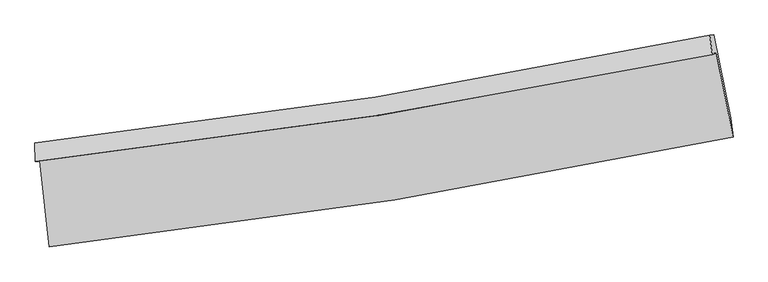
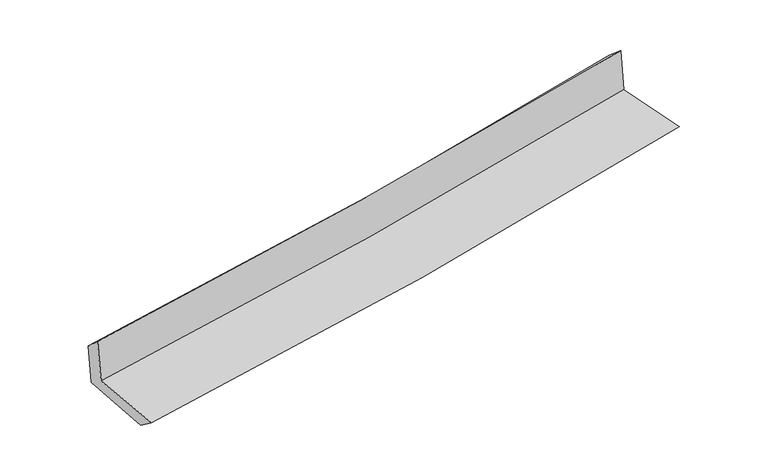
"""IFC4 building model written with IfcOpenShell, lengths in millimetres: proxy geometry."""

from ifc_helpers import new_model, si_unit, frame, origin, place, context, project, spatial, source, transform, mapped, element, save
from ifc_brep_helpers import plane_surface, spline_curve, spline_surface, advanced_brep


def generic_models_8fde79eb(model_context):
    return source(origin(), model_context, "Body", "AdvancedBrep", [
        advanced_brep(
        [(-2634.7265748, -1899.25547, 1665.0070044), (-2562.5664624, -2560.2557695, 1639.8292048), (2698.1255489, -1715.6296945, 2121.2174308), (2570.0768097, -1068.2368902, 2127.7787065), (-2668.2813288, -1901.7256097, 2055.0286727), (2537.5200769, -1081.5741081, 2519.558402), (-2672.2562558, -1759.1718634, 1926.8148361), (2519.3411838, -930.4916152, 2390.7591811), (-2641.3167292, -1756.2001571, 1566.3436222), (2550.6683109, -927.43841, 2035.2185103), (-2568.899154, -2405.0063762, 1523.3073249), (2679.8261997, -1568.3302375, 2002.0534677)],
        [
            (0, 1),
            (1, 2, spline_curve(3, [(-2562.5664624, -2560.2557695, 1639.8292048), (-1673.577307436, -2461.03383665, 1721.05030505), (-788.01992474, -2340.474770461, 1802.021419838), (965.460788483, -2058.414885685, 1962.478094335), (1833.467409816, -1897.431926504, 2041.969722017), (2698.1255489, -1715.6296945, 2121.2174308)], [4, 2, 4], [0.0, 8.7843751347231, 17.46149550318757])),
            (2, 3),
            (3, 0, spline_curve(3, [(2570.0768097, -1068.2368902, 2127.7787065), (1714.39876884, -1249.023974322, 2056.009181274), (855.510122992, -1408.376171303, 1981.811989766), (-879.344477586, -1685.915537397, 1827.615141504), (-1755.390293256, -1803.569533634, 1747.555099004), (-2634.7265748, -1899.25547, 1665.0070044)], [4, 2, 4], [0.0, 8.677120368464472, 17.46149550318757])),
            (4, 0),
            (3, 5),
            (5, 4, spline_curve(3, [(2537.5200769, -1081.5741081, 2519.558402), (1680.711561728, -1257.272807263, 2450.961806703), (821.172056824, -1413.170685216, 2378.216116791), (-914.0271477, -1687.047046193, 2223.476078612), (-1789.754777937, -1804.533002093, 2141.378525585), (-2668.2813288, -1901.7256097, 2055.0286727)], [4, 2, 4], [0.0, 8.628687391539131, 17.364030886716257])),
            (6, 4),
            (5, 7),
            (7, 6, spline_curve(3, [(2519.3411838, -930.4916152, 2390.7591811), (1666.496453167, -1110.614178079, 2310.961323631), (810.120181286, -1269.439599193, 2232.62878606), (-920.324454496, -1546.196095238, 2077.944222891), (-1794.480662819, -1663.597423601, 2001.628645344), (-2672.2562558, -1759.1718634, 1926.8148361)], [4, 2, 4], [0.0, 8.617813187405718, 17.342148066320398])),
            (8, 6),
            (7, 9),
            (9, 8, spline_curve(3, [(2550.6683109, -927.43841, 2035.2185103), (1697.912225917, -1107.565683493, 1952.877648574), (841.548645214, -1266.400182476, 1872.85995246), (-889.023302016, -1543.183736153, 1716.510536367), (-1763.321400917, -1660.6031527, 1640.236603316), (-2641.3167292, -1756.2001571, 1566.3436222)], [4, 2, 4], [0.0, 8.608389807998801, 17.323184828500544])),
            (10, 8),
            (9, 11),
            (11, 10, spline_curve(3, [(2679.8261997, -1568.3302375, 2002.0534677), (1817.346541703, -1746.864005538, 1916.649677805), (951.420860473, -1905.54831333, 1834.278580238), (-798.068541063, -2184.934096525, 1674.621097457), (-1681.717977261, -2305.141834845, 1597.410147189), (-2568.899154, -2405.0063762, 1523.3073249)], [4, 2, 4], [0.0, 8.656091368355208, 17.419177571056657])),
            (1, 10),
            (11, 2),
        ],
        [
            spline_surface(3, 3, [[(-2634.7265748, -1899.25547, 1665.0070044), (-1755.390293257, -1803.569533626, 1747.555099146), (-879.344477644, -1685.915537391, 1827.615141595), (855.510123048, -1408.376171308, 1981.811989676), (1714.398768943, -1249.02397429, 2056.009181297), (2570.0768097, -1068.2368902, 2127.7787065)], [(-2610.673203987, -2119.588903171, 1656.614404538), (-1728.119297975, -2022.724301264, 1738.720167829), (-848.902960047, -1904.101948465, 1819.083900949), (892.16034488, -1625.055742742, 1975.36735792), (1754.088315881, -1465.159958371, 2051.329361533), (2612.759722776, -1284.034491623, 2125.591614624)], [(-2586.619833213, -2339.922336329, 1648.221804662), (-1700.848302733, -2241.879068891, 1729.885236498), (-818.461442424, -2122.288359502, 1810.552660356), (928.810566738, -1841.735314137, 1968.922726218), (1793.777862789, -1681.295942485, 2046.649541696), (2655.442635824, -1499.832093077, 2123.404522676)], [(-2562.5664624, -2560.2557695, 1639.8292048), (-1673.577307451, -2461.033836529, 1721.050305181), (-788.019924827, -2340.474770576, 1802.021419709), (965.460788569, -2058.414885571, 1962.478094462), (1833.467409727, -1897.431926566, 2041.969721932), (2698.1255489, -1715.6296945, 2121.2174308)]], [4, 4], [4, 2, 4], [0.0, 2.1666998509139765], [0.0, 8.7843751347231, 17.46149550318757]),
            spline_surface(3, 3, [[(-2668.2813288, -1901.7256097, 2055.0286727), (-1789.754778074, -1804.533001951, 2141.378525458), (-914.027147642, -1687.047046111, 2223.476078585), (821.172056767, -1413.170685297, 2378.216116818), (1680.711561587, -1257.272807278, 2450.961806806), (2537.5200769, -1081.5741081, 2519.558402)], [(-2657.096410821, -1900.902229811, 1925.021449932), (-1778.299949823, -1804.211845853, 2010.104050019), (-902.466257621, -1686.669876513, 2091.522432926), (832.618078882, -1411.572513942, 2246.081407775), (1691.940630689, -1254.523196291, 2319.310931624), (2548.37232115, -1077.128368808, 2388.965170154)], [(-2645.911492779, -1900.078849889, 1795.014227168), (-1766.845121508, -1803.890689723, 1878.829574585), (-890.905367664, -1686.292706989, 1959.568787254), (844.064100933, -1409.974342662, 2113.946698719), (1703.169699841, -1251.773585278, 2187.660056479), (2559.22456545, -1072.682629492, 2258.371938346)], [(-2634.7265748, -1899.25547, 1665.0070044), (-1755.390293257, -1803.569533626, 1747.555099146), (-879.344477644, -1685.915537391, 1827.615141595), (855.510123048, -1408.376171308, 1981.811989676), (1714.398768943, -1249.02397429, 2056.009181297), (2570.0768097, -1068.2368902, 2127.7787065)]], [4, 4], [4, 2, 4], [0.0, 1.3045946991408863], [0.0, 8.735343495177126, 17.364030886716257]),
            spline_surface(3, 3, [[(-2672.2562558, -1759.1718634, 1926.8148361), (-1794.480662943, -1663.597423477, 2001.628645285), (-920.324454634, -1546.196095171, 2077.944222753), (810.120181423, -1269.439599259, 2232.628786195), (1666.496453038, -1110.614178136, 2310.961323768), (2519.3411838, -930.4916152, 2390.7591811)], [(-2670.93128014, -1806.689778824, 1969.55278163), (-1792.905367993, -1710.575949626, 2048.211938672), (-918.225352321, -1593.146412176, 2126.454841364), (813.804139853, -1317.349961296, 2281.157896403), (1671.234822568, -1159.500387823, 2357.628151457), (2525.400814847, -980.852446139, 2433.692254743)], [(-2669.60630446, -1854.207694276, 2012.29072717), (-1791.330073024, -1757.554475802, 2094.795232071), (-916.126249955, -1640.096729106, 2174.965459974), (817.488098337, -1365.260323259, 2329.68700661), (1675.973192057, -1208.386597592, 2404.294979117), (2531.460445853, -1031.213277161, 2476.625328357)], [(-2668.2813288, -1901.7256097, 2055.0286727), (-1789.754778074, -1804.533001951, 2141.378525458), (-914.027147642, -1687.047046111, 2223.476078585), (821.172056767, -1413.170685297, 2378.216116818), (1680.711561587, -1257.272807278, 2450.961806806), (2537.5200769, -1081.5741081, 2519.558402)]], [4, 4], [4, 2, 4], [0.0, 0.6683885112917053], [0.0, 8.72433487891468, 17.342148066320398]),
            spline_surface(3, 3, [[(-2641.3167292, -1756.2001571, 1566.3436222), (-1763.321401024, -1660.603152653, 1640.236603384), (-889.023301871, -1543.183736119, 1716.510536441), (841.548645071, -1266.400182509, 1872.859952387), (1697.912225947, -1107.565683393, 1952.877648678), (2550.6683109, -927.43841, 2035.2185103)], [(-2651.629904724, -1757.190725858, 1686.500693528), (-1773.707821654, -1661.601242919, 1760.700617379), (-899.45701946, -1544.187855797, 1836.988431883), (831.07249052, -1267.413321419, 1992.782896995), (1687.440301623, -1108.581848338, 2072.238873706), (2540.225935179, -928.456145097, 2153.732067231)], [(-2661.943080276, -1758.181294642, 1806.657764772), (-1784.094242313, -1662.599333211, 1881.16463129), (-909.890737045, -1545.191975493, 1957.466327311), (820.596335974, -1268.426460348, 2112.705841588), (1676.968377362, -1109.598013191, 2191.600098741), (2529.783559521, -929.473880103, 2272.245624169)], [(-2672.2562558, -1759.1718634, 1926.8148361), (-1794.480662943, -1663.597423477, 2001.628645285), (-920.324454634, -1546.196095171, 2077.944222753), (810.120181423, -1269.439599259, 2232.628786195), (1666.496453038, -1110.614178136, 2310.961323768), (2519.3411838, -930.4916152, 2390.7591811)]], [4, 4], [4, 2, 4], [0.0, 1.1876161410578325], [0.0, 8.714795020501743, 17.323184828500544]),
            spline_surface(3, 3, [[(-2568.899154, -2405.0063762, 1523.3073249), (-1681.717977402, -2305.141834825, 1597.410147086), (-798.068540935, -2184.934096436, 1674.621097339), (951.420860347, -1905.548313418, 1834.278580354), (1817.346541776, -1746.864005554, 1916.649677669), (2679.8261997, -1568.3302375, 2002.0534677)], [(-2593.038345733, -2188.737636516, 1537.652757321), (-1708.919118609, -2090.295607451, 1611.685632506), (-828.386794557, -1971.017309652, 1688.584243726), (914.796788612, -1692.498936436, 1847.139037718), (1777.535103166, -1533.764564815, 1928.725667986), (2636.7735701, -1354.699628315, 2013.108481881)], [(-2617.177537467, -1972.468896784, 1551.998189779), (-1736.120259817, -1875.449380028, 1625.961117964), (-858.705048249, -1757.100522903, 1702.547390054), (878.172716806, -1479.44955949, 1859.999495023), (1737.723664557, -1320.665124132, 1940.801658361), (2593.7209405, -1141.069019185, 2024.163496119)], [(-2641.3167292, -1756.2001571, 1566.3436222), (-1763.321401024, -1660.603152653, 1640.236603384), (-889.023301871, -1543.183736119, 1716.510536441), (841.548645071, -1266.400182509, 1872.859952387), (1697.912225947, -1107.565683393, 1952.877648678), (2550.6683109, -927.43841, 2035.2185103)]], [4, 4], [4, 2, 4], [0.0, 2.1309705189441948], [0.0, 8.76308620270145, 17.419177571056657]),
            spline_surface(3, 3, [[(-2562.5664624, -2560.2557695, 1639.8292048), (-1673.577307451, -2461.033836529, 1721.050305181), (-788.019924827, -2340.474770576, 1802.021419709), (965.460788569, -2058.414885571, 1962.478094462), (1833.467409727, -1897.431926566, 2041.969721932), (2698.1255489, -1715.6296945, 2121.2174308)], [(-2564.677359595, -2508.50597172, 1600.988578152), (-1676.290864097, -2409.069835948, 1679.836919135), (-791.369463546, -2288.627879202, 1759.554645576), (960.780812479, -2007.459361525, 1919.744923082), (1828.093787091, -1847.24261958, 2000.196373844), (2692.025765848, -1666.529875518, 2081.496109767)], [(-2566.788256805, -2456.75617398, 1562.147951548), (-1679.004420756, -2357.105835406, 1638.623533132), (-794.719002216, -2236.780987811, 1717.087871473), (956.100836438, -1956.503837463, 1877.011751734), (1822.720164412, -1797.05331254, 1958.423025756), (2685.925982752, -1617.430056482, 2041.774788733)], [(-2568.899154, -2405.0063762, 1523.3073249), (-1681.717977402, -2305.141834825, 1597.410147086), (-798.068540935, -2184.934096436, 1674.621097339), (951.420860347, -1905.548313418, 1834.278580354), (1817.346541776, -1746.864005554, 1916.649677669), (2679.8261997, -1568.3302375, 2002.0534677)]], [4, 4], [4, 2, 4], [0.0, 0.6582948822839967], [0.0, 8.821706774624651, 17.53570297409701]),
            plane_surface(frame((2592.5930216, -1215.2834926, 2199.4309497), z_axis=(0.9773781351119282, 0.19242745814605175, 0.08777046403306354), x_axis=(-0.08776797154985783, -0.008554044353058787, 0.9961042171857467))),
            plane_surface(frame((-2624.6744175, -2046.9358743, 1729.3884442), z_axis=(-0.9907669656728163, -0.10488801182134186, -0.08590299591775916), x_axis=(-0.10844557482598234, 0.9933820086680306, 0.037838368824924605))),
        ],
        [
            (0, [[1, 2, 3, 4]]),
            (1, [[5, -4, 6, 7]]),
            (2, [[8, -7, 9, 10]]),
            (3, [[11, -10, 12, 13]]),
            (4, [[14, -13, 15, 16]]),
            (5, [[17, -16, 18, -2]]),
            (6, [[-12, -9, -6, -3, -18, -15]]),
            (7, [[-1, -5, -8, -11, -14, -17]]),
        ],
    ),
    ])


if __name__ == "__main__":
    model = new_model("IFC4")
    model_context = context("Model", 3, world=origin())
    ifc_project = project(units=[si_unit("LENGTHUNIT", "METRE", prefix="MILLI")], contexts=[model_context])
    site = spatial("IfcSite", under=ifc_project)
    building = spatial("IfcBuilding", under=site)
    placement = place(None, origin())
    generic_models_shape = generic_models_8fde79eb(model_context)
    element("IfcBuildingElementProxy", 1, Name="Generic Models", at=placement, inside=building, context=model_context, shape_type="MappedRepresentation", body=[
        mapped(generic_models_shape, transform((0.0, 0.0, 0.0), x_axis=(1.0, 0.0, 0.0), y_axis=(0.0, 1.0, 0.0), z_axis=(0.0, 0.0, 1.0))),
    ])
    save(model, "model.ifc")
